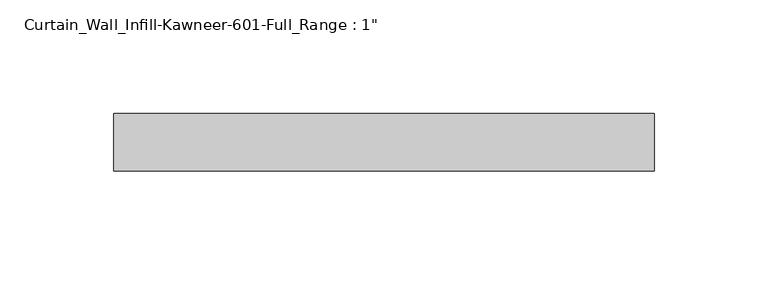
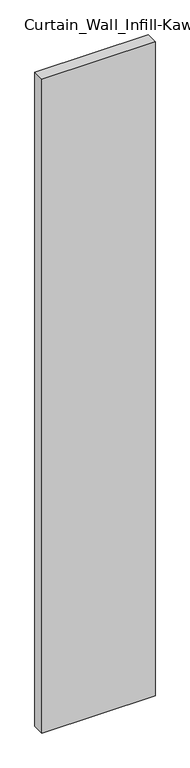
"""IFC4 building model written with IfcOpenShell, lengths in millimetres: plate geometry."""

from ifc_helpers import new_model, si_unit, origin, origin_with_axes, place, context, project, spatial, polyline, outline, extrude, source, transform, mapped, element, save


def plate_89729954(model_context):
    return source(origin(), model_context, "Body", "SweptSolid", [
        extrude(outline(polyline([(-119.0625, -12.7), (-119.0625, 12.7), (119.0625, 12.7), (119.0625, -12.7), (-119.0625, -12.7)])), origin_with_axes(), (0.0, 0.0, 1.0), 1454.15),
    ])


if __name__ == "__main__":
    model = new_model("IFC4")
    model_context = context("Model", 3, world=origin())
    ifc_project = project(units=[si_unit("LENGTHUNIT", "METRE", prefix="MILLI")], contexts=[model_context])
    site = spatial("IfcSite", under=ifc_project)
    building = spatial("IfcBuilding", under=site)
    placement = place(None, origin())
    plate_shape = plate_89729954(model_context)
    element("IfcPlate", 1, ObjectType="Curtain_Wall_Infill-Kawneer-601-Full_Range : 1\"", at=placement, inside=building, context=model_context, shape_type="MappedRepresentation", body=[
        mapped(plate_shape, transform((0.0, 0.0, 0.0), x_axis=(1.0, 0.0, 0.0), y_axis=(0.0, 1.0, 0.0), z_axis=(0.0, 0.0, 1.0))),
    ])
    save(model, "model.ifc")
